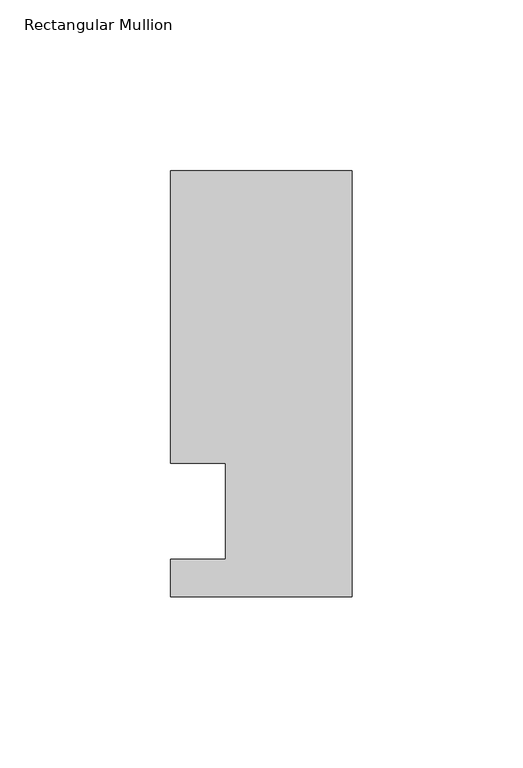
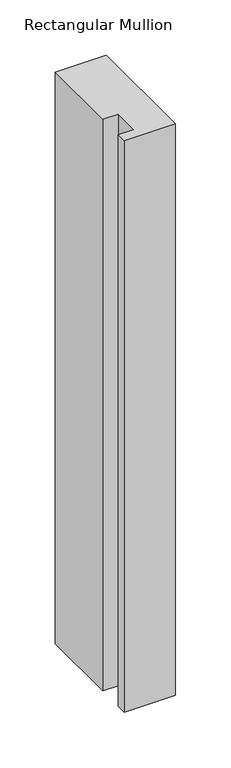
"""IFC4 building model written with IfcOpenShell, lengths in millimetres: member geometry, Rectangular Mullion."""

from ifc_helpers import new_model, si_unit, frame, origin, place, context, project, spatial, polyline, outline, extrude, source, transform, mapped, element, save


def rectangular_mullion_a6f74907(model_context):
    return source(origin(), model_context, "Body", "SweptSolid", [
        extrude(outline(polyline([(-37.0, -13.9999453), (-37.0, 14.0000547), (-53.0, 14.0000547), (-53.0, 99.5000547), (0.0, 99.5000547), (0.0, -24.9999453), (-53.0, -24.9999453), (-53.0, -13.9999453), (-37.0, -13.9999453)])), frame((0.0, 0.0, -629.9889993), z_axis=(0.0, 0.0, 1.0), x_axis=(1.0, 0.0, 0.0)), (0.0, 0.0, 1.0), 629.9889993),
    ])


if __name__ == "__main__":
    model = new_model("IFC4")
    model_context = context("Model", 3, world=origin())
    ifc_project = project(units=[si_unit("LENGTHUNIT", "METRE", prefix="MILLI")], contexts=[model_context])
    site = spatial("IfcSite", under=ifc_project)
    building = spatial("IfcBuilding", under=site)
    placement = place(None, origin())
    rectangular_mullion_shape = rectangular_mullion_a6f74907(model_context)
    element("IfcMember", 1, ObjectType="Rectangular Mullion", at=placement, inside=building, context=model_context, shape_type="MappedRepresentation", body=[
        mapped(rectangular_mullion_shape, transform((0.0, 0.0, 0.0), x_axis=(1.0, 0.0, 0.0), y_axis=(0.0, 1.0, 0.0), z_axis=(0.0, 0.0, 1.0))),
    ])
    save(model, "model.ifc")
